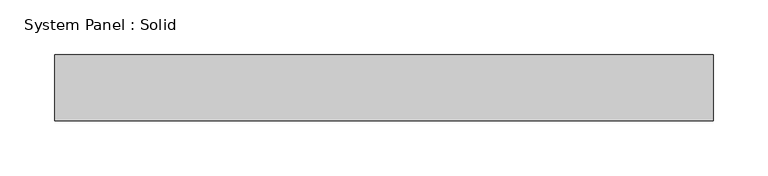
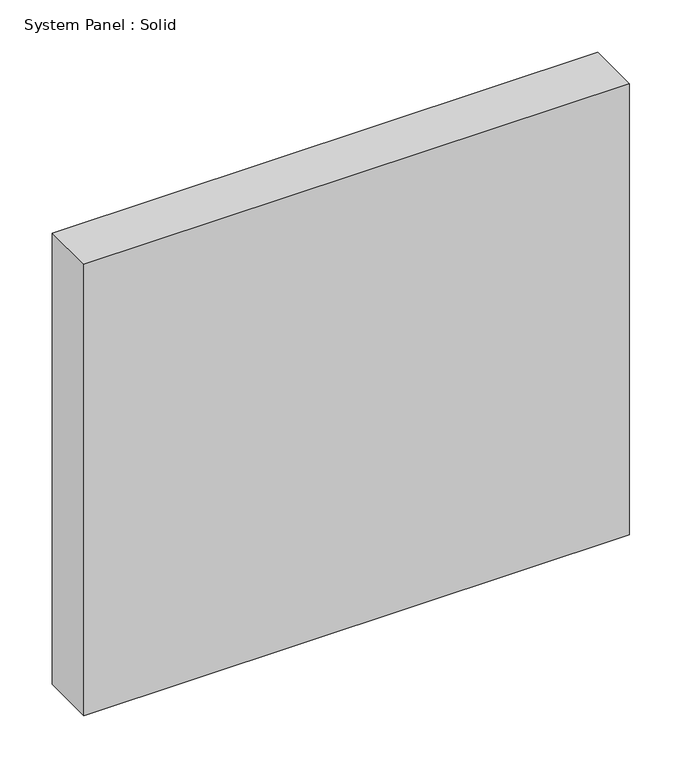
"""IFC4 building model written with IfcOpenShell, lengths in millimetres: plate geometry, System Panel : Solid."""

from ifc_helpers import new_model, si_unit, origin, origin_with_axes, place, context, project, spatial, polyline, outline, extrude, source, transform, mapped, element, save


def system_panel_solid_1c543208(model_context):
    return source(origin(), model_context, "Body", "SweptSolid", [
        extrude(outline(polyline([(300.0, -49.5), (-300.0, -49.5), (-300.0, 10.5), (300.0, 10.5), (300.0, -49.5)])), origin_with_axes(), (0.0, 0.0, 1.0), 525.0),
    ])


if __name__ == "__main__":
    model = new_model("IFC4")
    model_context = context("Model", 3, world=origin())
    ifc_project = project(units=[si_unit("LENGTHUNIT", "METRE", prefix="MILLI")], contexts=[model_context])
    site = spatial("IfcSite", under=ifc_project)
    building = spatial("IfcBuilding", under=site)
    placement = place(None, origin())
    system_panel_solid_shape = system_panel_solid_1c543208(model_context)
    element("IfcPlate", 1, ObjectType="System Panel : Solid", at=placement, inside=building, context=model_context, shape_type="MappedRepresentation", body=[
        mapped(system_panel_solid_shape, transform((0.0, 0.0, 0.0), x_axis=(1.0, 0.0, 0.0), y_axis=(0.0, 1.0, 0.0), z_axis=(0.0, 0.0, 1.0))),
    ])
    save(model, "model.ifc")
